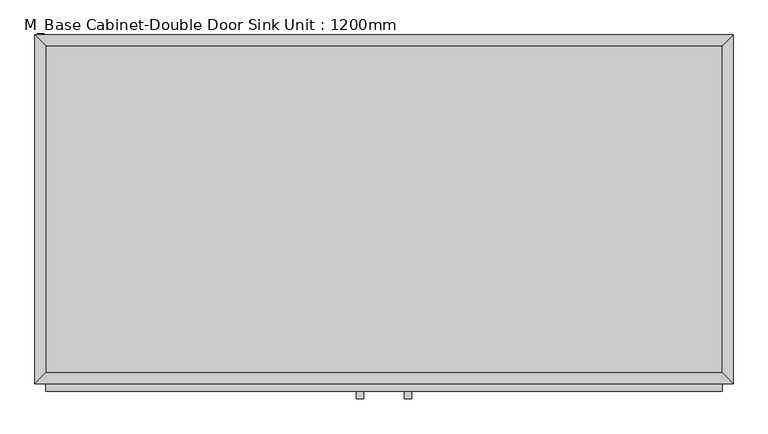
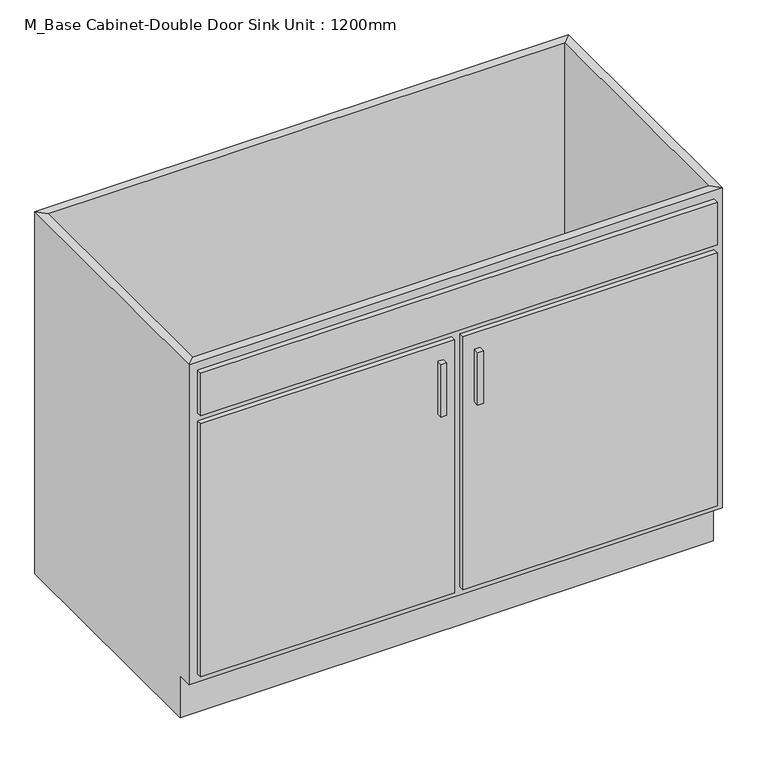
"""IFC4 building model written with IfcOpenShell, lengths in millimetres: furniture geometry, M_Base Cabinet-Double Door Sink Unit : 1200mm."""

from ifc_helpers import new_model, si_unit, frame, origin, place, context, project, spatial, polyline, outline, extrude, faceted_brep, source, transform, mapped, element, save


def m_base_cabinet_double_door_sink_unit_1200mm_3494b8e1(model_context):
    return source(origin(), model_context, "Body", "SolidModel", [
        faceted_brep([(599.6877049, -580.95, 860.0), (599.6877049, -580.95, 100.0), (-562.2122951, -580.95, 100.0), (-562.2122951, -580.95, 860.0), (-581.2622951, -600.0, 860.0), (618.7377049, -600.0, 860.0), (-581.2622951, -600.0, 100.0), (618.7377049, -600.0, 100.0), (-562.2122951, -565.0, 100.0), (-562.2122951, -19.05, 100.0), (-562.2122951, -19.05, 860.0), (-581.2622951, 0.0, 860.0), (-581.2622951, 0.0, 0.0), (-581.2622951, -565.0, 0.0), (-581.2622951, -565.0, 100.0), (599.6877049, -19.05, 100.0), (599.6877049, -19.05, 860.0), (618.7377049, 0.0, 860.0), (618.7377049, 0.0, 0.0), (599.6877049, -565.0, 100.0), (618.7377049, -565.0, 100.0), (618.7377049, -565.0, 0.0)], [[[0, 1, 2, 3]], [[0, 3, 4, 5]], [[5, 4, 6, 7]], [[2, 1, 7, 6]], [[3, 2, 8, 9, 10]], [[4, 3, 10, 11]], [[6, 4, 11, 12, 13, 14]], [[2, 6, 14, 8]], [[10, 9, 15, 16]], [[11, 10, 16, 17]], [[12, 11, 17, 18]], [[1, 0, 16, 15, 19]], [[0, 5, 17, 16]], [[5, 7, 20, 21, 18, 17]], [[7, 1, 19, 20]], [[8, 19, 15, 9]], [[18, 21, 13, 12]], [[13, 21, 20, 19, 8, 14]]]),
        extrude(outline(polyline([(-16.1872951, -625.4), (-28.8872951, -625.4), (-28.8872951, -612.7), (-16.1872951, -612.7), (-16.1872951, -625.4)])), frame((0.0, 0.0, 557.469895), z_axis=(0.0, 0.0, 1.0), x_axis=(1.0, 0.0, 0.0)), (0.0, 0.0, 1.0), 124.730105),
        extrude(outline(polyline([(66.3627049, -625.4), (53.6627049, -625.4), (53.6627049, -612.7), (66.3627049, -612.7), (66.3627049, -625.4)])), frame((0.0, 0.0, 557.469895), z_axis=(0.0, 0.0, 1.0), x_axis=(1.0, 0.0, 0.0)), (0.0, 0.0, 1.0), 124.730105),
        extrude(outline(polyline([(9.2127049, -612.7), (-562.2122951, -612.7), (-562.2122951, -600.0), (9.2127049, -600.0), (9.2127049, -612.7)])), frame((0.0, 0.0, 119.05), z_axis=(0.0, 0.0, 1.0), x_axis=(1.0, 0.0, 0.0)), (0.0, 0.0, 1.0), 601.25),
        extrude(outline(polyline([(599.6877049, -612.7), (28.2627049, -612.7), (28.2627049, -600.0), (599.6877049, -600.0), (599.6877049, -612.7)])), frame((0.0, 0.0, 119.05), z_axis=(0.0, 0.0, 1.0), x_axis=(1.0, 0.0, 0.0)), (0.0, 0.0, 1.0), 601.25),
        extrude(outline(polyline([(599.6877049, -612.7), (-562.2122951, -612.7), (-562.2122951, -600.0), (599.6877049, -600.0), (599.6877049, -612.7)])), frame((0.0, 0.0, 739.35), z_axis=(0.0, 0.0, 1.0), x_axis=(1.0, 0.0, 0.0)), (0.0, 0.0, 1.0), 101.6),
        extrude(outline(polyline([(599.6877049, -19.05), (599.6877049, -580.95), (-562.2122951, -580.95), (-562.2122951, -19.05), (599.6877049, -19.05)])), frame((0.0, 0.0, 100.0), z_axis=(0.0, 0.0, 1.0), x_axis=(1.0, 0.0, 0.0)), (0.0, 0.0, 1.0), 19.05),
    ])


if __name__ == "__main__":
    model = new_model("IFC4")
    model_context = context("Model", 3, world=origin())
    ifc_project = project(units=[si_unit("LENGTHUNIT", "METRE", prefix="MILLI")], contexts=[model_context])
    site = spatial("IfcSite", under=ifc_project)
    building = spatial("IfcBuilding", under=site)
    placement = place(None, origin())
    m_base_cabinet_double_door_sink_unit_1200mm_shape = m_base_cabinet_double_door_sink_unit_1200mm_3494b8e1(model_context)
    element("IfcFurniture", 1, ObjectType="M_Base Cabinet-Double Door Sink Unit : 1200mm", at=placement, inside=building, context=model_context, shape_type="MappedRepresentation", body=[
        mapped(m_base_cabinet_double_door_sink_unit_1200mm_shape, transform((0.0, 0.0, 0.0), x_axis=(1.0, 0.0, 0.0), y_axis=(0.0, 1.0, 0.0), z_axis=(0.0, 0.0, 1.0))),
    ])
    save(model, "model.ifc")
